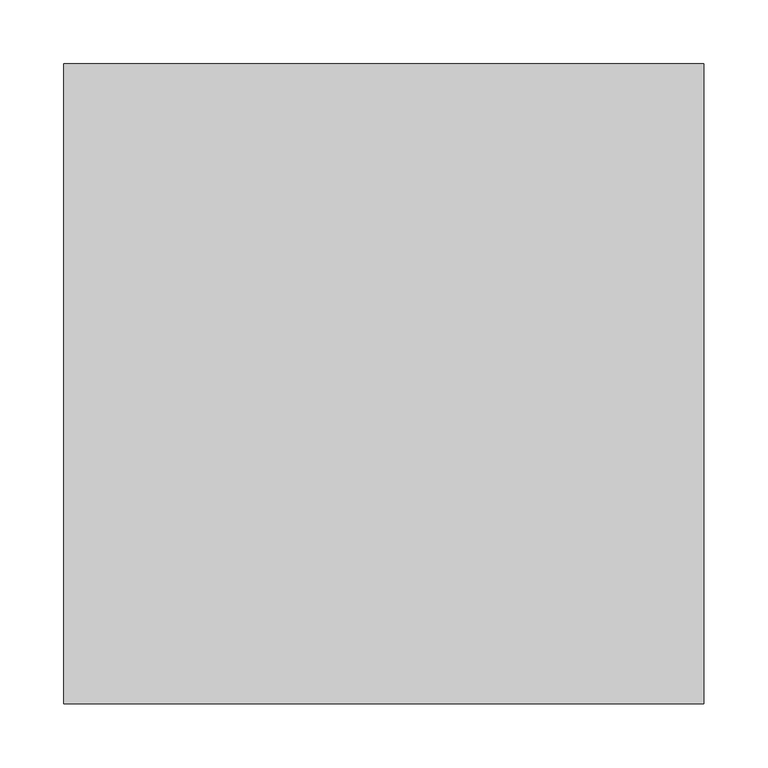
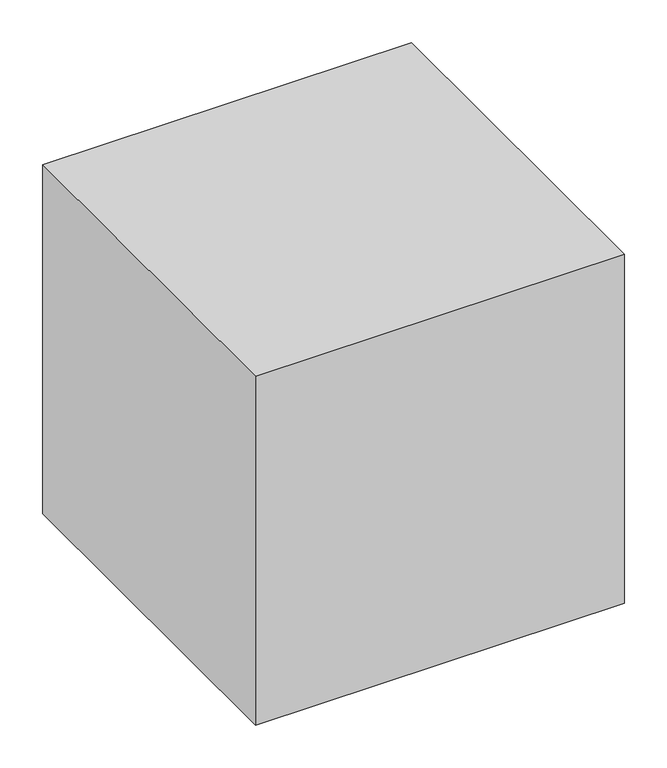
"""IFC4 building model written with IfcOpenShell, lengths in millimetres: proxy geometry."""

import ifcopenshell
import ifcopenshell.guid

model = None  # the IFC model being written
_history = None  # IfcOwnerHistory: only IFC2X3 demands one
_inside = {}  # id of a spatial element -> (the spatial element, [elements in it])
_under = {}  # id of a project, library or spatial element -> (it, [spatial elements below it])
_declared = {}  # id of a project -> (the project, [libraries it declares])
_typed = {}  # id of a type object -> (the type object, [elements of that type])
_made_of = {}  # id of a material, layer set ... -> (it, [elements and type objects made of it])


def new_model(schema):
    """Start an empty IFC model of exactly this schema.

    Asked for "IFC4X3", IfcOpenShell would pick the latest addendum, in which some entities
    have other attributes; the version numbers below select the first issue.
    IFC2X3 requires an IfcOwnerHistory on every rooted entity: one is made here for all.
    """
    global model, _history
    if schema == "IFC4X3":
        model = ifcopenshell.file(schema_version=(4, 3, 0, 0))
    else:
        model = ifcopenshell.file(schema=schema)
    _inside.clear()
    _under.clear()
    _declared.clear()
    _typed.clear()
    _made_of.clear()
    _history = None
    if model.schema == "IFC2X3":
        org = make("IfcOrganization", Name="unknown")
        user = make(
            "IfcPersonAndOrganization",
            ThePerson=make("IfcPerson", FamilyName="unknown"),
            TheOrganization=org,
        )
        app = make(
            "IfcApplication",
            ApplicationDeveloper=org,
            Version="unknown",
            ApplicationFullName="unknown",
            ApplicationIdentifier="unknown",
        )
        _history = make(
            "IfcOwnerHistory",
            OwningUser=user,
            OwningApplication=app,
            ChangeAction="ADDED",
            CreationDate=0,
        )
    return model


def make(cls, **values):
    """One entity of the class cls with the attributes given. An attribute that is None is left unset."""
    return model.create_entity(
        cls, **{name: value for name, value in values.items() if value is not None}
    )


def rooted(cls, **values):
    """An entity with a GlobalId (a new one), such as an element, a storey or a relation."""
    return make(cls, GlobalId=ifcopenshell.guid.new(), OwnerHistory=_history, **values)


def si_unit(unit_type, name, prefix=None):
    """IfcSIUnit, for example si_unit("LENGTHUNIT", "METRE", prefix="MILLI")."""
    return make("IfcSIUnit", UnitType=unit_type, Prefix=prefix, Name=name)


def assignment(units):
    """IfcUnitAssignment: the units of a project."""
    return None if units is None else make("IfcUnitAssignment", Units=units)


def point(xyz):
    """IfcCartesianPoint."""
    return None if xyz is None else make("IfcCartesianPoint", Coordinates=xyz)


def direction(xyz):
    """IfcDirection."""
    return None if xyz is None else make("IfcDirection", DirectionRatios=xyz)


def frame(location, z_axis=None, x_axis=None):
    """IfcAxis2Placement3D, a coordinate frame: its origin and axes. An axis left out is left unset."""
    return make(
        "IfcAxis2Placement3D",
        Location=point(location),
        Axis=direction(z_axis),
        RefDirection=direction(x_axis),
    )


def origin():
    """The frame at (0, 0, 0) with its axes left unset."""
    return frame((0.0, 0.0, 0.0))


def origin_with_axes():
    """The frame at (0, 0, 0) with the z axis (0, 0, 1) and the x axis (1, 0, 0) written out."""
    return frame((0.0, 0.0, 0.0), z_axis=(0.0, 0.0, 1.0), x_axis=(1.0, 0.0, 0.0))


def place(relative_to, where):
    """IfcLocalPlacement: puts the frame where relative to a parent placement (None: the world)."""
    return make(
        "IfcLocalPlacement", PlacementRelTo=relative_to, RelativePlacement=where
    )


def context(
    kind, dimensions, precision=None, world=None, true_north=None, identifier=None
):
    """IfcGeometricRepresentationContext, for example the 3D "Model" context."""
    return make(
        "IfcGeometricRepresentationContext",
        ContextIdentifier=identifier,
        ContextType=kind,
        CoordinateSpaceDimension=dimensions,
        Precision=precision,
        WorldCoordinateSystem=world,
        TrueNorth=true_north,
    )


def project(units=None, contexts=None):
    """IfcProject with its units and contexts."""
    return rooted(
        "IfcProject",
        Name="project",
        RepresentationContexts=contexts,
        UnitsInContext=assignment(units),
    )


def spatial(cls, under=None, at=None, **own):
    """A site, building, storey or space (cls), placed at a placement, below another one or the project."""
    s = rooted(cls, ObjectPlacement=at, **own)
    if under is not None:
        _under.setdefault(under.id(), (under, []))[1].append(s)
    return s


def polyline(points):
    """IfcPolyline through the points."""
    return make("IfcPolyline", Points=[point(p) for p in points])


def outline(outer, holes=None, kind="AREA"):
    """IfcArbitraryClosedProfileDef: a profile drawn as a closed curve; with holes, ...WithVoids."""
    if holes is None:
        return make("IfcArbitraryClosedProfileDef", ProfileType=kind, OuterCurve=outer)
    return make(
        "IfcArbitraryProfileDefWithVoids",
        ProfileType=kind,
        OuterCurve=outer,
        InnerCurves=holes,
    )


def extrude(swept, where, along, depth):
    """IfcExtrudedAreaSolid: the profile swept, set in the frame where, extruded along a direction by depth."""
    return make(
        "IfcExtrudedAreaSolid",
        SweptArea=swept,
        Position=where,
        ExtrudedDirection=direction(along),
        Depth=depth,
    )


def shape(context_of_items, identifier, shape_type, items):
    """IfcShapeRepresentation: the items that make up one representation, for example the "Body"."""
    return make(
        "IfcShapeRepresentation",
        ContextOfItems=context_of_items,
        RepresentationIdentifier=identifier,
        RepresentationType=shape_type,
        Items=items,
    )


def source(mapping_origin, context_of_items, identifier, shape_type, items):
    """IfcRepresentationMap: a shape defined once, which mapped items show again and again."""
    return make(
        "IfcRepresentationMap",
        MappingOrigin=mapping_origin,
        MappedRepresentation=shape(context_of_items, identifier, shape_type, items),
    )


def transform(
    local_origin,
    x_axis=None,
    y_axis=None,
    z_axis=None,
    scale=None,
    scale2=None,
    scale3=None,
    uniform=True,
):
    """IfcCartesianTransformationOperator3D, or its non-uniform kind. x_axis, y_axis, z_axis: its Axis1, 2, 3."""
    if uniform:
        return make(
            "IfcCartesianTransformationOperator3D",
            Axis1=direction(x_axis),
            Axis2=direction(y_axis),
            LocalOrigin=point(local_origin),
            Scale=scale,
            Axis3=direction(z_axis),
        )
    return make(
        "IfcCartesianTransformationOperator3DnonUniform",
        Axis1=direction(x_axis),
        Axis2=direction(y_axis),
        LocalOrigin=point(local_origin),
        Scale=scale,
        Axis3=direction(z_axis),
        Scale2=scale2,
        Scale3=scale3,
    )


def mapped(mapping_source, mapping_target):
    """IfcMappedItem: shows the shape of a source again, moved by a transform."""
    return make(
        "IfcMappedItem", MappingSource=mapping_source, MappingTarget=mapping_target
    )


def made_of(thing, what):
    """Note that an element or type object is made of a material, layer set ...; save() writes the relation."""
    if what is not None:
        _made_of.setdefault(what.id(), (what, []))[1].append(thing)
    return thing


def element(
    cls,
    number,
    at=None,
    inside=None,
    cuts=None,
    type_object=None,
    material=None,
    context=None,
    identifier="Body",
    shape_type=None,
    held_by="IfcProductDefinitionShape",
    body=None,
    shapes=None,
    **own,
):
    """One element of the class cls, such as IfcWall. Its Tag is "e" and its number.

    at: its placement. inside: the storey or other place that contains it. cuts: it is an
    opening in that element (IfcRelVoidsElement). A single representation is given by context,
    identifier, shape_type and body (its items); several are given by shapes. held_by: the class
    of the entity that holds the representations. save() writes the other relations.
    """
    e = rooted(cls, Tag="e%d" % number, ObjectPlacement=at, **own)
    if body is not None:
        shapes = [shape(context, identifier, shape_type, body)]
    if shapes is not None:
        e.Representation = make(held_by, Representations=shapes)
    if inside is not None:
        _inside.setdefault(inside.id(), (inside, []))[1].append(e)
    if cuts is not None:
        rooted(
            "IfcRelVoidsElement", RelatingBuildingElement=cuts, RelatedOpeningElement=e
        )
    if type_object is not None:
        _typed.setdefault(type_object.id(), (type_object, []))[1].append(e)
    return made_of(e, material)


def aggregate(whole, parts):
    """IfcRelAggregates: a whole, such as a stair, and the parts it consists of."""
    return rooted("IfcRelAggregates", RelatingObject=whole, RelatedObjects=parts)


def save(model, path):
    """Write the relations noted so far, then the file.

    IfcRelAggregates (storeys below a building ...), IfcRelContainedInSpatialStructure (elements
    in a storey), IfcRelDefinesByType, IfcRelAssociatesMaterial and IfcRelDeclares: one each for
    every whole, place, type object, material and project.
    """
    for whole, parts in _under.values():
        aggregate(whole, parts)
    for where, things in _inside.values():
        rooted(
            "IfcRelContainedInSpatialStructure",
            RelatedElements=things,
            RelatingStructure=where,
        )
    for kind, things in _typed.values():
        rooted("IfcRelDefinesByType", RelatedObjects=things, RelatingType=kind)
    for what, things in _made_of.values():
        rooted("IfcRelAssociatesMaterial", RelatedObjects=things, RelatingMaterial=what)
    for by, libraries in _declared.values():
        rooted("IfcRelDeclares", RelatingContext=by, RelatedDefinitions=libraries)
    model.write(path)


def communication_devices_af5cb44b(model_context):
    return source(origin(), model_context, "Body", "SweptSolid", [
        extrude(outline(polyline([(250.0, 250.0), (250.0, -250.0), (-250.0, -250.0), (-250.0, 250.0), (250.0, 250.0)])), origin_with_axes(), (0.0, 0.0, 1.0), 500.0),
    ])


if __name__ == "__main__":
    model = new_model("IFC4")
    model_context = context("Model", 3, world=origin())
    ifc_project = project(units=[si_unit("LENGTHUNIT", "METRE", prefix="MILLI")], contexts=[model_context])
    site = spatial("IfcSite", under=ifc_project)
    building = spatial("IfcBuilding", under=site)
    placement = place(None, origin())
    communication_devices_shape = communication_devices_af5cb44b(model_context)
    element("IfcBuildingElementProxy", 1, Name="Communication Devices", at=placement, inside=building, context=model_context, shape_type="MappedRepresentation", body=[
        mapped(communication_devices_shape, transform((0.0, 0.0, 0.0), x_axis=(1.0, 0.0, 0.0), y_axis=(0.0, 1.0, 0.0), z_axis=(0.0, 0.0, 1.0))),
    ])
    save(model, "model.ifc")
